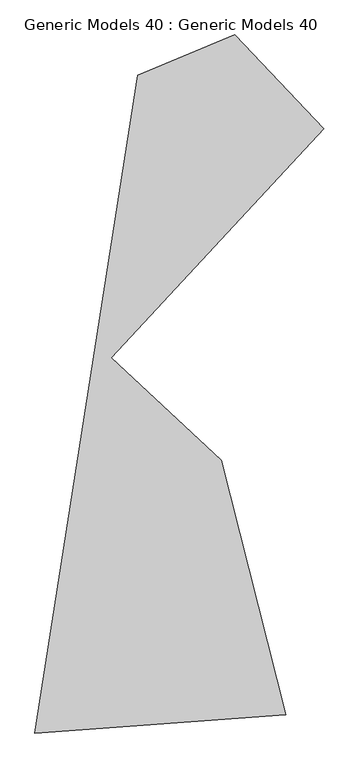
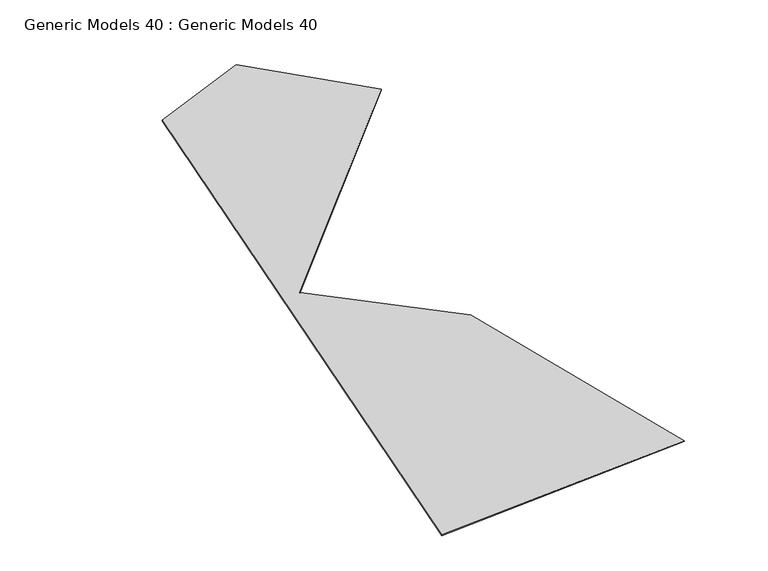
"""IFC4 building model written with IfcOpenShell, lengths in millimetres: proxy geometry, Generic Models 40 : Generic Models 40."""

import ifcopenshell
import ifcopenshell.guid

model = None  # the IFC model being written
_history = None  # IfcOwnerHistory: only IFC2X3 demands one
_inside = {}  # id of a spatial element -> (the spatial element, [elements in it])
_under = {}  # id of a project, library or spatial element -> (it, [spatial elements below it])
_declared = {}  # id of a project -> (the project, [libraries it declares])
_typed = {}  # id of a type object -> (the type object, [elements of that type])
_made_of = {}  # id of a material, layer set ... -> (it, [elements and type objects made of it])


def new_model(schema):
    """Start an empty IFC model of exactly this schema.

    Asked for "IFC4X3", IfcOpenShell would pick the latest addendum, in which some entities
    have other attributes; the version numbers below select the first issue.
    IFC2X3 requires an IfcOwnerHistory on every rooted entity: one is made here for all.
    """
    global model, _history
    if schema == "IFC4X3":
        model = ifcopenshell.file(schema_version=(4, 3, 0, 0))
    else:
        model = ifcopenshell.file(schema=schema)
    _inside.clear()
    _under.clear()
    _declared.clear()
    _typed.clear()
    _made_of.clear()
    _history = None
    if model.schema == "IFC2X3":
        org = make("IfcOrganization", Name="unknown")
        user = make(
            "IfcPersonAndOrganization",
            ThePerson=make("IfcPerson", FamilyName="unknown"),
            TheOrganization=org,
        )
        app = make(
            "IfcApplication",
            ApplicationDeveloper=org,
            Version="unknown",
            ApplicationFullName="unknown",
            ApplicationIdentifier="unknown",
        )
        _history = make(
            "IfcOwnerHistory",
            OwningUser=user,
            OwningApplication=app,
            ChangeAction="ADDED",
            CreationDate=0,
        )
    return model


def make(cls, **values):
    """One entity of the class cls with the attributes given. An attribute that is None is left unset."""
    return model.create_entity(
        cls, **{name: value for name, value in values.items() if value is not None}
    )


def rooted(cls, **values):
    """An entity with a GlobalId (a new one), such as an element, a storey or a relation."""
    return make(cls, GlobalId=ifcopenshell.guid.new(), OwnerHistory=_history, **values)


def si_unit(unit_type, name, prefix=None):
    """IfcSIUnit, for example si_unit("LENGTHUNIT", "METRE", prefix="MILLI")."""
    return make("IfcSIUnit", UnitType=unit_type, Prefix=prefix, Name=name)


def assignment(units):
    """IfcUnitAssignment: the units of a project."""
    return None if units is None else make("IfcUnitAssignment", Units=units)


def point(xyz):
    """IfcCartesianPoint."""
    return None if xyz is None else make("IfcCartesianPoint", Coordinates=xyz)


def direction(xyz):
    """IfcDirection."""
    return None if xyz is None else make("IfcDirection", DirectionRatios=xyz)


def frame(location, z_axis=None, x_axis=None):
    """IfcAxis2Placement3D, a coordinate frame: its origin and axes. An axis left out is left unset."""
    return make(
        "IfcAxis2Placement3D",
        Location=point(location),
        Axis=direction(z_axis),
        RefDirection=direction(x_axis),
    )


def origin():
    """The frame at (0, 0, 0) with its axes left unset."""
    return frame((0.0, 0.0, 0.0))


def place(relative_to, where):
    """IfcLocalPlacement: puts the frame where relative to a parent placement (None: the world)."""
    return make(
        "IfcLocalPlacement", PlacementRelTo=relative_to, RelativePlacement=where
    )


def context(
    kind, dimensions, precision=None, world=None, true_north=None, identifier=None
):
    """IfcGeometricRepresentationContext, for example the 3D "Model" context."""
    return make(
        "IfcGeometricRepresentationContext",
        ContextIdentifier=identifier,
        ContextType=kind,
        CoordinateSpaceDimension=dimensions,
        Precision=precision,
        WorldCoordinateSystem=world,
        TrueNorth=true_north,
    )


def project(units=None, contexts=None):
    """IfcProject with its units and contexts."""
    return rooted(
        "IfcProject",
        Name="project",
        RepresentationContexts=contexts,
        UnitsInContext=assignment(units),
    )


def spatial(cls, under=None, at=None, **own):
    """A site, building, storey or space (cls), placed at a placement, below another one or the project."""
    s = rooted(cls, ObjectPlacement=at, **own)
    if under is not None:
        _under.setdefault(under.id(), (under, []))[1].append(s)
    return s


def polyline(points):
    """IfcPolyline through the points."""
    return make("IfcPolyline", Points=[point(p) for p in points])


def outline(outer, holes=None, kind="AREA"):
    """IfcArbitraryClosedProfileDef: a profile drawn as a closed curve; with holes, ...WithVoids."""
    if holes is None:
        return make("IfcArbitraryClosedProfileDef", ProfileType=kind, OuterCurve=outer)
    return make(
        "IfcArbitraryProfileDefWithVoids",
        ProfileType=kind,
        OuterCurve=outer,
        InnerCurves=holes,
    )


def extrude(swept, where, along, depth):
    """IfcExtrudedAreaSolid: the profile swept, set in the frame where, extruded along a direction by depth."""
    return make(
        "IfcExtrudedAreaSolid",
        SweptArea=swept,
        Position=where,
        ExtrudedDirection=direction(along),
        Depth=depth,
    )


def shape(context_of_items, identifier, shape_type, items):
    """IfcShapeRepresentation: the items that make up one representation, for example the "Body"."""
    return make(
        "IfcShapeRepresentation",
        ContextOfItems=context_of_items,
        RepresentationIdentifier=identifier,
        RepresentationType=shape_type,
        Items=items,
    )


def source(mapping_origin, context_of_items, identifier, shape_type, items):
    """IfcRepresentationMap: a shape defined once, which mapped items show again and again."""
    return make(
        "IfcRepresentationMap",
        MappingOrigin=mapping_origin,
        MappedRepresentation=shape(context_of_items, identifier, shape_type, items),
    )


def transform(
    local_origin,
    x_axis=None,
    y_axis=None,
    z_axis=None,
    scale=None,
    scale2=None,
    scale3=None,
    uniform=True,
):
    """IfcCartesianTransformationOperator3D, or its non-uniform kind. x_axis, y_axis, z_axis: its Axis1, 2, 3."""
    if uniform:
        return make(
            "IfcCartesianTransformationOperator3D",
            Axis1=direction(x_axis),
            Axis2=direction(y_axis),
            LocalOrigin=point(local_origin),
            Scale=scale,
            Axis3=direction(z_axis),
        )
    return make(
        "IfcCartesianTransformationOperator3DnonUniform",
        Axis1=direction(x_axis),
        Axis2=direction(y_axis),
        LocalOrigin=point(local_origin),
        Scale=scale,
        Axis3=direction(z_axis),
        Scale2=scale2,
        Scale3=scale3,
    )


def mapped(mapping_source, mapping_target):
    """IfcMappedItem: shows the shape of a source again, moved by a transform."""
    return make(
        "IfcMappedItem", MappingSource=mapping_source, MappingTarget=mapping_target
    )


def made_of(thing, what):
    """Note that an element or type object is made of a material, layer set ...; save() writes the relation."""
    if what is not None:
        _made_of.setdefault(what.id(), (what, []))[1].append(thing)
    return thing


def element(
    cls,
    number,
    at=None,
    inside=None,
    cuts=None,
    type_object=None,
    material=None,
    context=None,
    identifier="Body",
    shape_type=None,
    held_by="IfcProductDefinitionShape",
    body=None,
    shapes=None,
    **own,
):
    """One element of the class cls, such as IfcWall. Its Tag is "e" and its number.

    at: its placement. inside: the storey or other place that contains it. cuts: it is an
    opening in that element (IfcRelVoidsElement). A single representation is given by context,
    identifier, shape_type and body (its items); several are given by shapes. held_by: the class
    of the entity that holds the representations. save() writes the other relations.
    """
    e = rooted(cls, Tag="e%d" % number, ObjectPlacement=at, **own)
    if body is not None:
        shapes = [shape(context, identifier, shape_type, body)]
    if shapes is not None:
        e.Representation = make(held_by, Representations=shapes)
    if inside is not None:
        _inside.setdefault(inside.id(), (inside, []))[1].append(e)
    if cuts is not None:
        rooted(
            "IfcRelVoidsElement", RelatingBuildingElement=cuts, RelatedOpeningElement=e
        )
    if type_object is not None:
        _typed.setdefault(type_object.id(), (type_object, []))[1].append(e)
    return made_of(e, material)


def aggregate(whole, parts):
    """IfcRelAggregates: a whole, such as a stair, and the parts it consists of."""
    return rooted("IfcRelAggregates", RelatingObject=whole, RelatedObjects=parts)


def save(model, path):
    """Write the relations noted so far, then the file.

    IfcRelAggregates (storeys below a building ...), IfcRelContainedInSpatialStructure (elements
    in a storey), IfcRelDefinesByType, IfcRelAssociatesMaterial and IfcRelDeclares: one each for
    every whole, place, type object, material and project.
    """
    for whole, parts in _under.values():
        aggregate(whole, parts)
    for where, things in _inside.values():
        rooted(
            "IfcRelContainedInSpatialStructure",
            RelatedElements=things,
            RelatingStructure=where,
        )
    for kind, things in _typed.values():
        rooted("IfcRelDefinesByType", RelatedObjects=things, RelatingType=kind)
    for what, things in _made_of.values():
        rooted("IfcRelAssociatesMaterial", RelatedObjects=things, RelatingMaterial=what)
    for by, libraries in _declared.values():
        rooted("IfcRelDeclares", RelatingContext=by, RelatedDefinitions=libraries)
    model.write(path)


def generic_models_40_generic_models_40_d2ebb37e(model_context):
    return source(origin(), model_context, "Body", "SweptSolid", [
        extrude(outline(polyline([(-227047.5038689, -36932.3900747), (-254486.7074003, -38909.708036), (-243226.7291876, 32987.2873655), (-232668.0493149, 37396.2253315), (-222911.6805055, 27143.8696836), (-246153.1322638, 2106.1400847), (-234113.6686901, -9077.4044645), (-227047.5038689, -36932.3900747)])), frame((0.0, 0.0, 8680.0), z_axis=(0.0, 0.0, 1.0), x_axis=(1.0, 0.0, 0.0)), (0.0, 0.0, 1.0), 100.0),
    ])


if __name__ == "__main__":
    model = new_model("IFC4")
    model_context = context("Model", 3, world=origin())
    ifc_project = project(units=[si_unit("LENGTHUNIT", "METRE", prefix="MILLI")], contexts=[model_context])
    site = spatial("IfcSite", under=ifc_project)
    building = spatial("IfcBuilding", under=site)
    placement = place(None, origin())
    generic_models_40_generic_models_40_shape = generic_models_40_generic_models_40_d2ebb37e(model_context)
    element("IfcBuildingElementProxy", 1, Name="Generic Models 40 : Generic Models 40", ObjectType="Generic Models 40 : Generic Models 40", at=placement, inside=building, context=model_context, shape_type="MappedRepresentation", body=[
        mapped(generic_models_40_generic_models_40_shape, transform((0.0, 0.0, 0.0), x_axis=(1.0, 0.0, 0.0), y_axis=(0.0, 1.0, 0.0), z_axis=(0.0, 0.0, 1.0))),
    ])
    save(model, "model.ifc")
